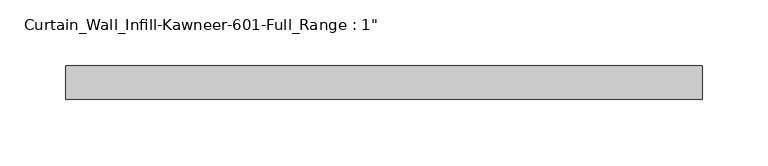
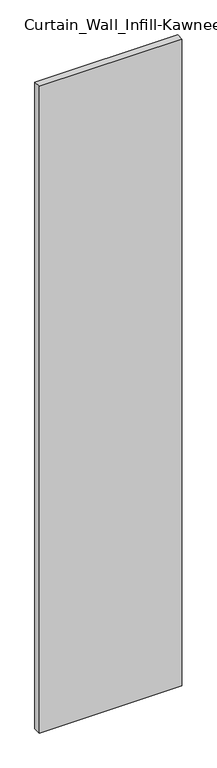
"""IFC4 building model written with IfcOpenShell, lengths in millimetres: plate geometry."""

from ifc_helpers import new_model, si_unit, origin, origin_with_axes, place, context, project, spatial, polyline, outline, extrude, source, transform, mapped, element, save


def plate_e3f71aa7(model_context):
    return source(origin(), model_context, "Body", "SweptSolid", [
        extrude(outline(polyline([(-241.3, 0.0), (241.3, 0.0), (241.3, -25.4), (-241.3, -25.4), (-241.3, 0.0)])), origin_with_axes(), (0.0, 0.0, 1.0), 2311.4),
    ])


if __name__ == "__main__":
    model = new_model("IFC4")
    model_context = context("Model", 3, world=origin())
    ifc_project = project(units=[si_unit("LENGTHUNIT", "METRE", prefix="MILLI")], contexts=[model_context])
    site = spatial("IfcSite", under=ifc_project)
    building = spatial("IfcBuilding", under=site)
    placement = place(None, origin())
    plate_shape = plate_e3f71aa7(model_context)
    element("IfcPlate", 1, ObjectType="Curtain_Wall_Infill-Kawneer-601-Full_Range : 1\"", at=placement, inside=building, context=model_context, shape_type="MappedRepresentation", body=[
        mapped(plate_shape, transform((0.0, 0.0, 0.0), x_axis=(1.0, 0.0, 0.0), y_axis=(0.0, 1.0, 0.0), z_axis=(0.0, 0.0, 1.0))),
    ])
    save(model, "model.ifc")
